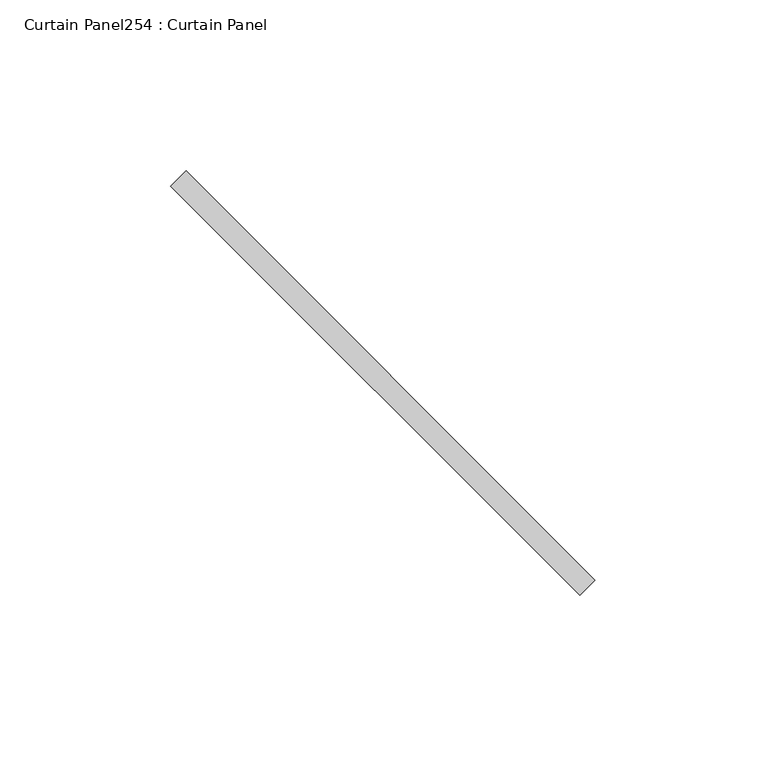
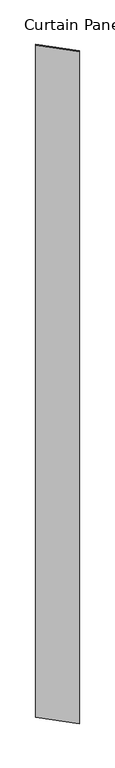
"""IFC4 building model written with IfcOpenShell, lengths in millimetres: plate geometry, Curtain Panel254 : Curtain Panel."""

import ifcopenshell
import ifcopenshell.guid

model = None  # the IFC model being written
_history = None  # IfcOwnerHistory: only IFC2X3 demands one
_inside = {}  # id of a spatial element -> (the spatial element, [elements in it])
_under = {}  # id of a project, library or spatial element -> (it, [spatial elements below it])
_declared = {}  # id of a project -> (the project, [libraries it declares])
_typed = {}  # id of a type object -> (the type object, [elements of that type])
_made_of = {}  # id of a material, layer set ... -> (it, [elements and type objects made of it])


def new_model(schema):
    """Start an empty IFC model of exactly this schema.

    Asked for "IFC4X3", IfcOpenShell would pick the latest addendum, in which some entities
    have other attributes; the version numbers below select the first issue.
    IFC2X3 requires an IfcOwnerHistory on every rooted entity: one is made here for all.
    """
    global model, _history
    if schema == "IFC4X3":
        model = ifcopenshell.file(schema_version=(4, 3, 0, 0))
    else:
        model = ifcopenshell.file(schema=schema)
    _inside.clear()
    _under.clear()
    _declared.clear()
    _typed.clear()
    _made_of.clear()
    _history = None
    if model.schema == "IFC2X3":
        org = make("IfcOrganization", Name="unknown")
        user = make(
            "IfcPersonAndOrganization",
            ThePerson=make("IfcPerson", FamilyName="unknown"),
            TheOrganization=org,
        )
        app = make(
            "IfcApplication",
            ApplicationDeveloper=org,
            Version="unknown",
            ApplicationFullName="unknown",
            ApplicationIdentifier="unknown",
        )
        _history = make(
            "IfcOwnerHistory",
            OwningUser=user,
            OwningApplication=app,
            ChangeAction="ADDED",
            CreationDate=0,
        )
    return model


def make(cls, **values):
    """One entity of the class cls with the attributes given. An attribute that is None is left unset."""
    return model.create_entity(
        cls, **{name: value for name, value in values.items() if value is not None}
    )


def rooted(cls, **values):
    """An entity with a GlobalId (a new one), such as an element, a storey or a relation."""
    return make(cls, GlobalId=ifcopenshell.guid.new(), OwnerHistory=_history, **values)


def si_unit(unit_type, name, prefix=None):
    """IfcSIUnit, for example si_unit("LENGTHUNIT", "METRE", prefix="MILLI")."""
    return make("IfcSIUnit", UnitType=unit_type, Prefix=prefix, Name=name)


def assignment(units):
    """IfcUnitAssignment: the units of a project."""
    return None if units is None else make("IfcUnitAssignment", Units=units)


def point(xyz):
    """IfcCartesianPoint."""
    return None if xyz is None else make("IfcCartesianPoint", Coordinates=xyz)


def direction(xyz):
    """IfcDirection."""
    return None if xyz is None else make("IfcDirection", DirectionRatios=xyz)


def frame(location, z_axis=None, x_axis=None):
    """IfcAxis2Placement3D, a coordinate frame: its origin and axes. An axis left out is left unset."""
    return make(
        "IfcAxis2Placement3D",
        Location=point(location),
        Axis=direction(z_axis),
        RefDirection=direction(x_axis),
    )


def origin():
    """The frame at (0, 0, 0) with its axes left unset."""
    return frame((0.0, 0.0, 0.0))


def place(relative_to, where):
    """IfcLocalPlacement: puts the frame where relative to a parent placement (None: the world)."""
    return make(
        "IfcLocalPlacement", PlacementRelTo=relative_to, RelativePlacement=where
    )


def context(
    kind, dimensions, precision=None, world=None, true_north=None, identifier=None
):
    """IfcGeometricRepresentationContext, for example the 3D "Model" context."""
    return make(
        "IfcGeometricRepresentationContext",
        ContextIdentifier=identifier,
        ContextType=kind,
        CoordinateSpaceDimension=dimensions,
        Precision=precision,
        WorldCoordinateSystem=world,
        TrueNorth=true_north,
    )


def project(units=None, contexts=None):
    """IfcProject with its units and contexts."""
    return rooted(
        "IfcProject",
        Name="project",
        RepresentationContexts=contexts,
        UnitsInContext=assignment(units),
    )


def spatial(cls, under=None, at=None, **own):
    """A site, building, storey or space (cls), placed at a placement, below another one or the project."""
    s = rooted(cls, ObjectPlacement=at, **own)
    if under is not None:
        _under.setdefault(under.id(), (under, []))[1].append(s)
    return s


def polyline(points):
    """IfcPolyline through the points."""
    return make("IfcPolyline", Points=[point(p) for p in points])


def outline(outer, holes=None, kind="AREA"):
    """IfcArbitraryClosedProfileDef: a profile drawn as a closed curve; with holes, ...WithVoids."""
    if holes is None:
        return make("IfcArbitraryClosedProfileDef", ProfileType=kind, OuterCurve=outer)
    return make(
        "IfcArbitraryProfileDefWithVoids",
        ProfileType=kind,
        OuterCurve=outer,
        InnerCurves=holes,
    )


def extrude(swept, where, along, depth):
    """IfcExtrudedAreaSolid: the profile swept, set in the frame where, extruded along a direction by depth."""
    return make(
        "IfcExtrudedAreaSolid",
        SweptArea=swept,
        Position=where,
        ExtrudedDirection=direction(along),
        Depth=depth,
    )


def shape(context_of_items, identifier, shape_type, items):
    """IfcShapeRepresentation: the items that make up one representation, for example the "Body"."""
    return make(
        "IfcShapeRepresentation",
        ContextOfItems=context_of_items,
        RepresentationIdentifier=identifier,
        RepresentationType=shape_type,
        Items=items,
    )


def source(mapping_origin, context_of_items, identifier, shape_type, items):
    """IfcRepresentationMap: a shape defined once, which mapped items show again and again."""
    return make(
        "IfcRepresentationMap",
        MappingOrigin=mapping_origin,
        MappedRepresentation=shape(context_of_items, identifier, shape_type, items),
    )


def transform(
    local_origin,
    x_axis=None,
    y_axis=None,
    z_axis=None,
    scale=None,
    scale2=None,
    scale3=None,
    uniform=True,
):
    """IfcCartesianTransformationOperator3D, or its non-uniform kind. x_axis, y_axis, z_axis: its Axis1, 2, 3."""
    if uniform:
        return make(
            "IfcCartesianTransformationOperator3D",
            Axis1=direction(x_axis),
            Axis2=direction(y_axis),
            LocalOrigin=point(local_origin),
            Scale=scale,
            Axis3=direction(z_axis),
        )
    return make(
        "IfcCartesianTransformationOperator3DnonUniform",
        Axis1=direction(x_axis),
        Axis2=direction(y_axis),
        LocalOrigin=point(local_origin),
        Scale=scale,
        Axis3=direction(z_axis),
        Scale2=scale2,
        Scale3=scale3,
    )


def mapped(mapping_source, mapping_target):
    """IfcMappedItem: shows the shape of a source again, moved by a transform."""
    return make(
        "IfcMappedItem", MappingSource=mapping_source, MappingTarget=mapping_target
    )


def made_of(thing, what):
    """Note that an element or type object is made of a material, layer set ...; save() writes the relation."""
    if what is not None:
        _made_of.setdefault(what.id(), (what, []))[1].append(thing)
    return thing


def element(
    cls,
    number,
    at=None,
    inside=None,
    cuts=None,
    type_object=None,
    material=None,
    context=None,
    identifier="Body",
    shape_type=None,
    held_by="IfcProductDefinitionShape",
    body=None,
    shapes=None,
    **own,
):
    """One element of the class cls, such as IfcWall. Its Tag is "e" and its number.

    at: its placement. inside: the storey or other place that contains it. cuts: it is an
    opening in that element (IfcRelVoidsElement). A single representation is given by context,
    identifier, shape_type and body (its items); several are given by shapes. held_by: the class
    of the entity that holds the representations. save() writes the other relations.
    """
    e = rooted(cls, Tag="e%d" % number, ObjectPlacement=at, **own)
    if body is not None:
        shapes = [shape(context, identifier, shape_type, body)]
    if shapes is not None:
        e.Representation = make(held_by, Representations=shapes)
    if inside is not None:
        _inside.setdefault(inside.id(), (inside, []))[1].append(e)
    if cuts is not None:
        rooted(
            "IfcRelVoidsElement", RelatingBuildingElement=cuts, RelatedOpeningElement=e
        )
    if type_object is not None:
        _typed.setdefault(type_object.id(), (type_object, []))[1].append(e)
    return made_of(e, material)


def aggregate(whole, parts):
    """IfcRelAggregates: a whole, such as a stair, and the parts it consists of."""
    return rooted("IfcRelAggregates", RelatingObject=whole, RelatedObjects=parts)


def save(model, path):
    """Write the relations noted so far, then the file.

    IfcRelAggregates (storeys below a building ...), IfcRelContainedInSpatialStructure (elements
    in a storey), IfcRelDefinesByType, IfcRelAssociatesMaterial and IfcRelDeclares: one each for
    every whole, place, type object, material and project.
    """
    for whole, parts in _under.values():
        aggregate(whole, parts)
    for where, things in _inside.values():
        rooted(
            "IfcRelContainedInSpatialStructure",
            RelatedElements=things,
            RelatingStructure=where,
        )
    for kind, things in _typed.values():
        rooted("IfcRelDefinesByType", RelatedObjects=things, RelatingType=kind)
    for what, things in _made_of.values():
        rooted("IfcRelAssociatesMaterial", RelatedObjects=things, RelatingMaterial=what)
    for by, libraries in _declared.values():
        rooted("IfcRelDeclares", RelatingContext=by, RelatedDefinitions=libraries)
    model.write(path)


def curtain_panel254_curtain_panel_e231b39b(model_context):
    return source(origin(), model_context, "Body", "SweptSolid", [
        extrude(outline(polyline([(579688.9239403, 2358.4474608), (579569.1637676, 2478.2076335), (579573.6538957, 2482.6977616), (579693.4140684, 2362.9375889), (579688.9239403, 2358.4474608)])), frame((0.0, 0.0, 4959.7989371), z_axis=(0.0, 0.0, 1.0), x_axis=(1.0, 0.0, 0.0)), (0.0, 0.0, 1.0), 3048.0),
    ])


if __name__ == "__main__":
    model = new_model("IFC4")
    model_context = context("Model", 3, world=origin())
    ifc_project = project(units=[si_unit("LENGTHUNIT", "METRE", prefix="MILLI")], contexts=[model_context])
    site = spatial("IfcSite", under=ifc_project)
    building = spatial("IfcBuilding", under=site)
    placement = place(None, origin())
    curtain_panel254_curtain_panel_shape = curtain_panel254_curtain_panel_e231b39b(model_context)
    element("IfcPlate", 1, ObjectType="Curtain Panel254 : Curtain Panel", at=placement, inside=building, context=model_context, shape_type="MappedRepresentation", body=[
        mapped(curtain_panel254_curtain_panel_shape, transform((0.0, 0.0, 0.0), x_axis=(1.0, 0.0, 0.0), y_axis=(0.0, 1.0, 0.0), z_axis=(0.0, 0.0, 1.0))),
    ])
    save(model, "model.ifc")
